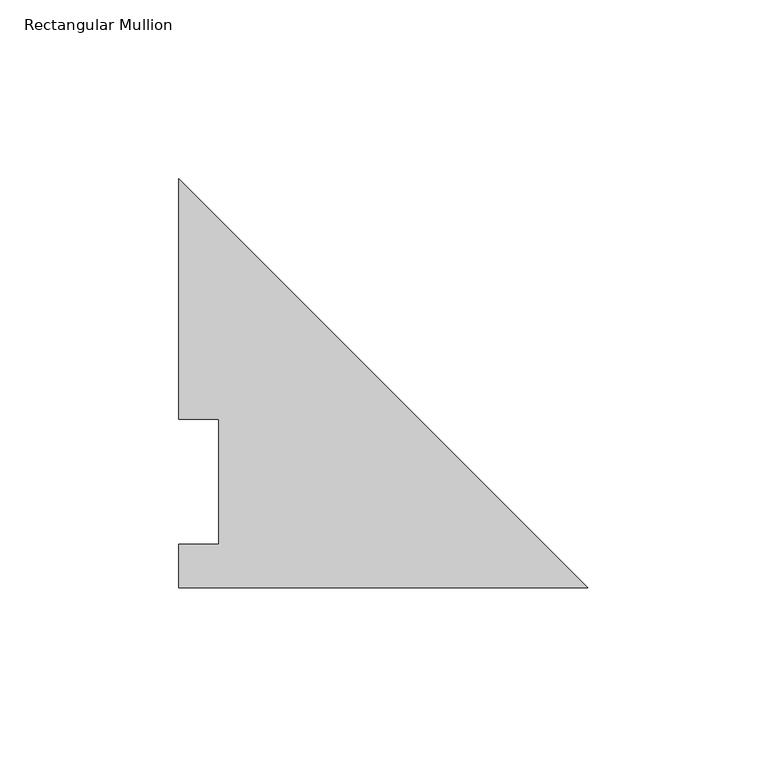
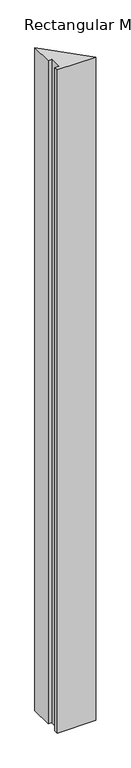
"""IFC4 building model written with IfcOpenShell, lengths in millimetres: member geometry, Rectangular Mullion."""

from ifc_helpers import new_model, si_unit, frame, origin, place, context, project, spatial, polyline, outline, extrude, source, transform, mapped, element, save


def rectangular_mullion_751e233f(model_context):
    return source(origin(), model_context, "Body", "SweptSolid", [
        extrude(outline(polyline([(-114.3, -0.047625), (-114.3, 12.144375), (-103.1875, 12.144375), (-103.1875, 47.069375), (-114.3, 47.069375), (-114.3, 114.252375), (0.0, -0.047625), (-114.3, -0.047625)])), frame((0.0, 0.0, -2073.275), z_axis=(0.0, 0.0, 1.0), x_axis=(1.0, 0.0, 0.0)), (0.0, 0.0, 1.0), 2073.275),
    ])


if __name__ == "__main__":
    model = new_model("IFC4")
    model_context = context("Model", 3, world=origin())
    ifc_project = project(units=[si_unit("LENGTHUNIT", "METRE", prefix="MILLI")], contexts=[model_context])
    site = spatial("IfcSite", under=ifc_project)
    building = spatial("IfcBuilding", under=site)
    placement = place(None, origin())
    rectangular_mullion_shape = rectangular_mullion_751e233f(model_context)
    element("IfcMember", 1, ObjectType="Rectangular Mullion", at=placement, inside=building, context=model_context, shape_type="MappedRepresentation", body=[
        mapped(rectangular_mullion_shape, transform((0.0, 0.0, 0.0), x_axis=(1.0, 0.0, 0.0), y_axis=(0.0, 1.0, 0.0), z_axis=(0.0, 0.0, 1.0))),
    ])
    save(model, "model.ifc")
